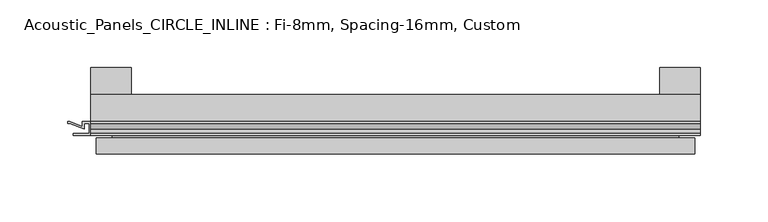
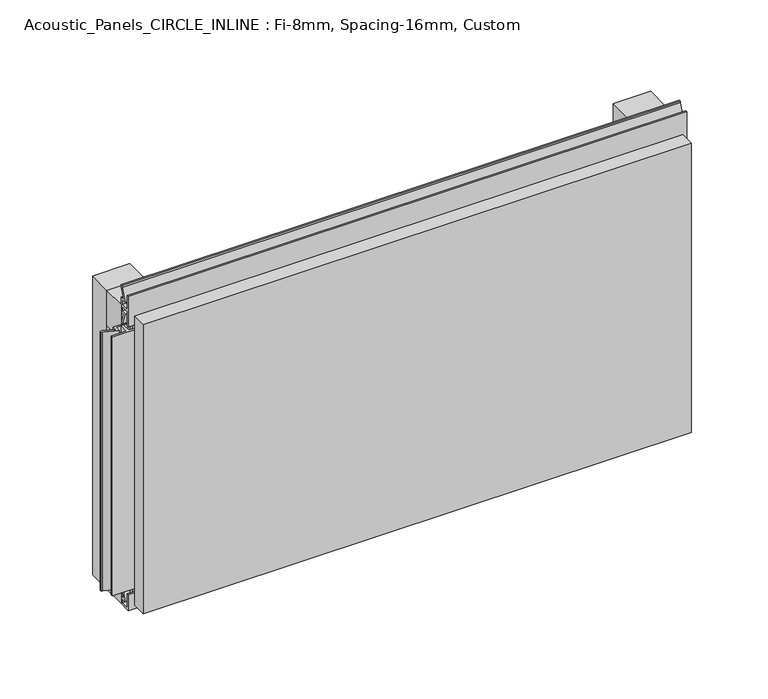
"""IFC4 building model written with IfcOpenShell, lengths in millimetres: plate geometry, Acoustic_Panels_CIRCLE_INLINE : Fi-8mm, Spacing-16mm, Custom."""

from ifc_helpers import new_model, si_unit, frame, origin, origin_with_axes, place, context, project, spatial, polyline, outline, extrude, faceted_brep, source, transform, mapped, element, save


def acoustic_panels_circle_inline_fi_8mm_spacing_16mm_custom_e2941852(model_context):
    return source(origin(), model_context, "Body", "SolidModel", [
        extrude(outline(polyline([(-225.0, -40.0), (-225.0, -20.0), (225.0, -20.0), (225.0, -40.0), (-225.0, -40.0)])), frame((0.0, 0.0, 225.0), z_axis=(0.0, 0.0, 1.0), x_axis=(1.0, 0.0, 0.0)), (0.0, 0.0, 1.0), 30.0),
        extrude(outline(polyline([(-225.0, -40.0), (-225.0, -20.0), (225.0, -20.0), (225.0, -40.0), (-225.0, -40.0)])), origin_with_axes(), (0.0, 0.0, 1.0), 30.0),
        extrude(outline(polyline([(195.0, 0.0), (225.0, 0.0), (225.0, -20.0), (195.0, -20.0), (195.0, 0.0)])), origin_with_axes(), (0.0, 0.0, 1.0), 255.0),
        extrude(outline(polyline([(-195.0, 0.0), (-195.0, -20.0), (-225.0, -20.0), (-225.0, 0.0), (-195.0, 0.0)])), origin_with_axes(), (0.0, 0.0, 1.0), 255.0),
        extrude(outline(polyline([(-40.0, 6.299084), (-40.0, 0.0), (-50.1, 0.0), (-50.1, 13.4156807), (-48.7, 13.4156807), (-48.7, 1.4156807), (-41.4, 1.4156807), (-41.4, 4.899084), (-45.5140545, 4.899084), (-41.4553267, 15.5703394), (-41.4553267, 22.991548), (-40.0553267, 22.991548), (-40.0553267, 15.3558599), (-43.5, 6.299084), (-40.0, 6.299084)])), frame((-225.0, 0.0, 0.0), z_axis=(1.0, 0.0, 0.0), x_axis=(0.0, 1.0, 0.0)), (0.0, 0.0, 1.0), 450.0),
        extrude(outline(polyline([(218.700916, -40.0), (225.0, -40.0), (225.0, -50.1), (211.5843193, -50.1), (211.5843193, -48.7), (223.5843193, -48.7), (223.5843193, -41.4), (220.100916, -41.4), (220.100916, -45.5140545), (209.4296606, -41.4553267), (202.008452, -41.4553267), (202.008452, -40.0553267), (209.6441401, -40.0553267), (218.700916, -43.5), (218.700916, -40.0)])), frame((0.0, 0.0, 16.9558599), z_axis=(0.0, 0.0, 1.0), x_axis=(1.0, 0.0, 0.0)), (0.0, 0.0, 1.0), 221.0882802),
        extrude(outline(polyline([(-225.899084, -48.7), (-225.899084, -41.4), (-229.899084, -41.4), (-229.899084, -45.5140545), (-240.5703394, -41.4553267), (-241.9558599, -41.4553267), (-241.9558599, -40.0553267), (-240.3558599, -40.0553267), (-231.299084, -43.5), (-231.299084, -40.0), (-218.700916, -40.0), (-218.700916, -43.5), (-209.6441401, -40.0553267), (-208.0441401, -40.0553267), (-208.0441401, -41.4553267), (-209.4296606, -41.4553267), (-220.100916, -45.5140545), (-220.100916, -41.4), (-224.100916, -41.4), (-224.100916, -48.7), (-212.100916, -48.7), (-212.100916, -50.1), (-237.899084, -50.1), (-237.899084, -48.7), (-225.899084, -48.7)])), frame((0.0, 0.0, 16.9558599), z_axis=(0.0, 0.0, 1.0), x_axis=(1.0, 0.0, 0.0)), (0.0, 0.0, 1.0), 221.0882802),
        extrude(outline(polyline([(-48.7, 255.899084), (-41.4, 255.899084), (-41.4, 259.899084), (-45.5140545, 259.899084), (-41.4553267, 270.5703394), (-41.4553267, 271.9558599), (-40.0553267, 271.9558599), (-40.0553267, 270.3558599), (-43.5, 261.299084), (-40.0, 261.299084), (-40.0, 248.700916), (-43.5, 248.700916), (-40.0553267, 239.6441401), (-40.0553267, 238.0441401), (-41.4553267, 238.0441401), (-41.4553267, 239.4296606), (-45.5140545, 250.100916), (-41.4, 250.100916), (-41.4, 254.100916), (-48.7, 254.100916), (-48.7, 242.100916), (-50.1, 242.100916), (-50.1, 267.899084), (-48.7, 267.899084), (-48.7, 255.899084)])), frame((-225.0, 0.0, 0.0), z_axis=(1.0, 0.0, 0.0), x_axis=(0.0, 1.0, 0.0)), (0.0, 0.0, 1.0), 450.0),
        faceted_brep([(221.0, -45.9, 251.0), (-221.0, -45.9, 251.0), (-221.0, -48.7, 251.0), (221.0, -48.7, 251.0), (-221.0, -63.9, 251.0), (221.0, -63.9, 251.0), (221.0, -51.9, 251.0), (-221.0, -51.9, 251.0), (-221.0, -45.9, 4.0), (221.0, -45.9, 4.0), (221.0, -48.7, 4.0), (-221.0, -48.7, 4.0), (221.0, -63.9, 4.0), (-221.0, -63.9, 4.0), (-221.0, -51.9, 4.0), (221.0, -51.9, 4.0), (209.0, -51.9, 239.0), (209.0, -51.9, 16.0), (209.0, -48.7, 16.0), (209.0, -48.7, 239.0), (-209.0, -51.9, 16.0), (-209.0, -48.7, 16.0), (-209.0, -51.9, 239.0), (-209.0, -48.7, 239.0)], [[[0, 1, 2, 3]], [[4, 5, 6, 7]], [[8, 9, 10, 11]], [[12, 13, 14, 15]], [[1, 0, 9, 8]], [[1, 8, 11, 2]], [[13, 4, 7, 14]], [[5, 4, 13, 12]], [[9, 0, 3, 10]], [[5, 12, 15, 6]], [[16, 17, 18, 19]], [[18, 17, 20, 21]], [[21, 20, 22, 23]], [[16, 19, 23, 22]], [[7, 6, 15, 14], [17, 16, 22, 20]], [[3, 2, 11, 10], [19, 18, 21, 23]]]),
    ])


if __name__ == "__main__":
    model = new_model("IFC4")
    model_context = context("Model", 3, world=origin())
    ifc_project = project(units=[si_unit("LENGTHUNIT", "METRE", prefix="MILLI")], contexts=[model_context])
    site = spatial("IfcSite", under=ifc_project)
    building = spatial("IfcBuilding", under=site)
    placement = place(None, origin())
    acoustic_panels_circle_inline_fi_8mm_spacing_16mm_custom_shape = acoustic_panels_circle_inline_fi_8mm_spacing_16mm_custom_e2941852(model_context)
    element("IfcPlate", 1, ObjectType="Acoustic_Panels_CIRCLE_INLINE : Fi-8mm, Spacing-16mm, Custom", at=placement, inside=building, context=model_context, shape_type="MappedRepresentation", body=[
        mapped(acoustic_panels_circle_inline_fi_8mm_spacing_16mm_custom_shape, transform((0.0, 0.0, 0.0), x_axis=(1.0, 0.0, 0.0), y_axis=(0.0, 1.0, 0.0), z_axis=(0.0, 0.0, 1.0))),
    ])
    save(model, "model.ifc")
